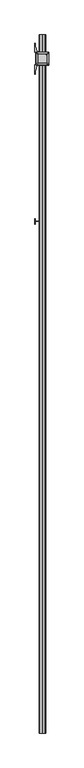
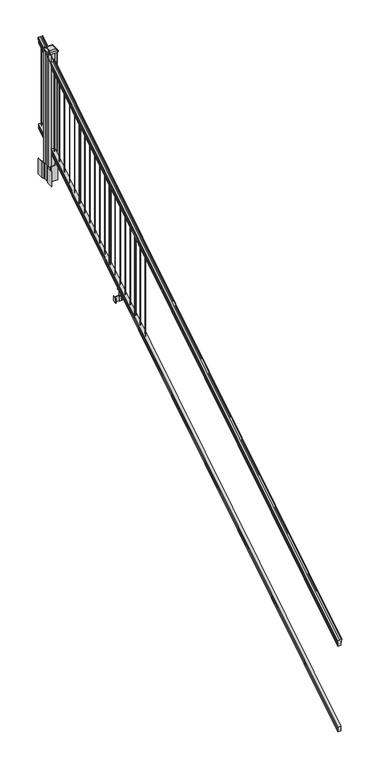
"""IFC4 building model written with IfcOpenShell, lengths in millimetres: railing geometry."""

from ifc_helpers import new_model, si_unit, point, frame, frame_2d, origin, place, context, project, spatial, polyline, circle_curve, ellipse_curve, trimmed, segment, composite_curve, outline, extrude, faceted_brep, source, transform, mapped, element, save
from ifc_brep_helpers import plane_surface, cylinder_surface, revolved_surface, extruded_surface, advanced_brep


def railing_1a0cb437(model_context):
    return source(origin(), model_context, "Body", "SolidModel", [
        advanced_brep(
        [(8349.0704765, -87458.4628453, 1133.2070492), (8349.0704765, -87458.4628453, 1135.4335658), (8350.2006628, -87458.4628453, 1137.2758543), (8350.2006628, -87458.4628453, 1145.7876358), (8349.5514064, -87458.4628453, 1148.6572588), (8352.0514064, -87458.4628453, 1153.7635509), (8353.4607489, -87458.4628453, 1155.7442021), (8353.8626479, -87458.4628453, 1157.0469579), (8353.8626478, -87458.4628453, 1158.6274846), (8352.3092005, -87458.4628453, 1160.4593836), (8331.6376478, -87458.4628453, 1160.4593836), (8310.966095, -87458.4628453, 1160.4593836), (8309.4126478, -87458.4628453, 1158.6274846), (8309.4126478, -87458.4628453, 1157.0469579), (8309.8145467, -87458.4628453, 1155.7442021), (8311.2238891, -87458.4628453, 1153.7635509), (8313.7238891, -87458.4628453, 1148.6572588), (8313.0746327, -87458.4628453, 1145.7876358), (8313.0746327, -87458.4628453, 1137.2758543), (8314.204819, -87458.4628453, 1135.4335658), (8314.204819, -87458.4628453, 1133.2070492), (8316.7786478, -87458.4628453, 1133.2070492), (8316.7786478, -87458.4628453, 1120.825537), (8315.7626478, -87458.4628453, 1119.6274214), (8315.7626478, -87458.4628453, 1104.9), (8347.5126478, -87458.4628453, 1104.9), (8347.5126478, -87458.4628453, 1119.441318), (8346.4966478, -87458.4628453, 1120.6394336), (8346.4966478, -87458.4628453, 1133.2070492), (8349.0704765, -82581.6628453, 4181.2070492), (8346.4966478, -82581.6628453, 4181.2070492), (8346.4966478, -82581.6628453, 4168.6394336), (8347.5126478, -82581.6628453, 4167.441318), (8347.5126478, -82581.6628453, 4152.9), (8315.7626478, -82581.6628453, 4152.9), (8315.7626478, -82581.6628453, 4167.6274214), (8316.7786478, -82581.6628453, 4168.825537), (8316.7786478, -82581.6628453, 4181.2070492), (8314.204819, -82581.6628453, 4181.2070492), (8314.204819, -82581.6628453, 4183.4335658), (8313.0746327, -82581.6628453, 4185.2758543), (8313.0746327, -82581.6628453, 4193.7876358), (8313.7238891, -82581.6628453, 4196.6572588), (8311.2238891, -82581.6628453, 4201.7635509), (8309.8145467, -82581.6628453, 4203.7442021), (8309.4126477, -82581.6628453, 4205.0469579), (8309.4126478, -82581.6628453, 4206.6274846), (8310.966095, -82581.6628453, 4208.4593836), (8331.6376478, -82581.6628453, 4208.4593836), (8352.3092005, -82581.6628453, 4208.4593836), (8353.8626478, -82581.6628453, 4206.6274846), (8353.8626478, -82581.6628453, 4205.0469579), (8353.4607489, -82581.6628453, 4203.7442021), (8352.0514064, -82581.6628453, 4201.7635509), (8349.5514064, -82581.6628453, 4196.6572588), (8350.2006628, -82581.6628453, 4193.7876358), (8350.2006628, -82581.6628453, 4185.2758543), (8349.0704765, -82581.6628453, 4183.4335658)],
        [
            (0, 1),
            (1, 2, ellipse_curve(frame((8342.7557232, -87458.4628453, 1142.2239405), z_axis=(0.0, -1.0, 0.0), x_axis=(0.0, 0.0, -1.0)), 10.0777926, 8.545951)),
            (2, 3, ellipse_curve(frame((8343.1927862, -87458.4628453, 1141.5317451), z_axis=(0.0, -1.0, 0.0), x_axis=(0.0, 0.0, -1.0)), 9.2955186, 7.882584)),
            (3, 4, ellipse_curve(frame((8353.7061103, -87458.4628453, 1148.4275077), z_axis=(0.0, 1.0, 0.0), x_axis=(0.0, 0.0, 1.0)), 4.9048088, 4.1592695)),
            (4, 5, ellipse_curve(frame((8354.9934169, -87458.4628453, 1148.3563208), z_axis=(0.0, 1.0, 0.0), x_axis=(0.0, 0.0, 1.0)), 6.4245301, 5.4479907)),
            (5, 6, ellipse_curve(frame((8353.7602584, -87458.4628453, 1153.7602333), z_axis=(0.0, 1.0, 0.0), x_axis=(0.0, 0.0, 1.0)), 2.0151625, 1.7088543)),
            (6, 7, ellipse_curve(frame((8352.1433583, -87458.4628453, 1157.0469579), z_axis=(0.0, -1.0, 0.0), x_axis=(0.0, 0.0, -1.0)), 2.0274681, 1.7192895)),
            (7, 8),
            (8, 9, ellipse_curve(frame((8352.3092005, -87458.4628453, 1158.6274846), z_axis=(0.0, -1.0, 0.0), x_axis=(0.0, 0.0, -1.0)), 1.831899, 1.5534472)),
            (9, 10),
            (10, 11),
            (11, 12, ellipse_curve(frame((8310.966095, -87458.4628453, 1158.6274846), z_axis=(0.0, -1.0, 0.0), x_axis=(0.0, 0.0, -1.0)), 1.831899, 1.5534472)),
            (12, 13),
            (13, 14, ellipse_curve(frame((8311.1319372, -87458.4628453, 1157.0469579), z_axis=(0.0, -1.0, 0.0), x_axis=(0.0, 0.0, -1.0)), 2.0274681, 1.7192895)),
            (14, 15, ellipse_curve(frame((8309.5150371, -87458.4628453, 1153.7602333), z_axis=(0.0, 1.0, 0.0), x_axis=(0.0, 0.0, 1.0)), 2.0151625, 1.7088543)),
            (15, 16, ellipse_curve(frame((8308.2818787, -87458.4628453, 1148.3563208), z_axis=(0.0, 1.0, 0.0), x_axis=(0.0, 0.0, 1.0)), 6.4245301, 5.4479907)),
            (16, 17, ellipse_curve(frame((8309.5691852, -87458.4628453, 1148.4275077), z_axis=(0.0, 1.0, 0.0), x_axis=(0.0, 0.0, 1.0)), 4.9048088, 4.1592695)),
            (17, 18, ellipse_curve(frame((8320.0825093, -87458.4628453, 1141.5317451), z_axis=(0.0, -1.0, 0.0), x_axis=(0.0, 0.0, -1.0)), 9.2955186, 7.882584)),
            (18, 19, ellipse_curve(frame((8320.5195723, -87458.4628453, 1142.2239405), z_axis=(0.0, -1.0, 0.0), x_axis=(0.0, 0.0, -1.0)), 10.0777926, 8.545951)),
            (19, 20),
            (20, 21, ellipse_curve(frame((8315.4917334, -87458.4628453, 1133.2070492), z_axis=(0.0, -1.0, 0.0), x_axis=(0.0, 0.0, -1.0)), 1.5175907, 1.2869144)),
            (21, 22),
            (22, 23),
            (23, 24),
            (24, 25),
            (25, 26),
            (26, 27),
            (27, 28),
            (28, 0, ellipse_curve(frame((8347.7835621, -87458.4628453, 1133.2070492), z_axis=(0.0, -1.0, 0.0), x_axis=(0.0, 0.0, -1.0)), 1.5175907, 1.2869144)),
            (29, 30, ellipse_curve(frame((8347.7835621, -82581.6628453, 4181.2070492), z_axis=(0.0, 1.0, 0.0), x_axis=(0.0, 0.0, -1.0)), 1.5175907, 1.2869144)),
            (30, 31),
            (31, 32),
            (32, 33),
            (33, 34),
            (34, 35),
            (35, 36),
            (36, 37),
            (37, 38, ellipse_curve(frame((8315.4917334, -82581.6628453, 4181.2070492), z_axis=(0.0, 1.0, 0.0), x_axis=(0.0, 0.0, -1.0)), 1.5175907, 1.2869144)),
            (38, 39),
            (39, 40, ellipse_curve(frame((8320.5195723, -82581.6628453, 4190.2239405), z_axis=(0.0, 1.0, 0.0), x_axis=(0.0, 0.0, -1.0)), 10.0777926, 8.545951)),
            (40, 41, ellipse_curve(frame((8320.0825093, -82581.6628453, 4189.5317451), z_axis=(0.0, 1.0, 0.0), x_axis=(0.0, 0.0, -1.0)), 9.2955186, 7.882584)),
            (41, 42, ellipse_curve(frame((8309.5691852, -82581.6628453, 4196.4275077), z_axis=(0.0, -1.0, 0.0), x_axis=(0.0, 0.0, 1.0)), 4.9048088, 4.1592695)),
            (42, 43, ellipse_curve(frame((8308.2818787, -82581.6628453, 4196.3563208), z_axis=(0.0, -1.0, 0.0), x_axis=(0.0, 0.0, 1.0)), 6.4245301, 5.4479907)),
            (43, 44, ellipse_curve(frame((8309.5150371, -82581.6628453, 4201.7602333), z_axis=(0.0, -1.0, 0.0), x_axis=(0.0, 0.0, 1.0)), 2.0151625, 1.7088543)),
            (44, 45, ellipse_curve(frame((8311.1319372, -82581.6628453, 4205.0469579), z_axis=(0.0, 1.0, 0.0), x_axis=(0.0, 0.0, -1.0)), 2.0274681, 1.7192895)),
            (45, 46),
            (46, 47, ellipse_curve(frame((8310.966095, -82581.6628453, 4206.6274846), z_axis=(0.0, 1.0, 0.0), x_axis=(0.0, 0.0, -1.0)), 1.831899, 1.5534472)),
            (47, 48),
            (48, 49),
            (49, 50, ellipse_curve(frame((8352.3092005, -82581.6628453, 4206.6274846), z_axis=(0.0, 1.0, 0.0), x_axis=(0.0, 0.0, -1.0)), 1.831899, 1.5534472)),
            (50, 51),
            (51, 52, ellipse_curve(frame((8352.1433583, -82581.6628453, 4205.0469579), z_axis=(0.0, 1.0, 0.0), x_axis=(0.0, 0.0, -1.0)), 2.0274681, 1.7192895)),
            (52, 53, ellipse_curve(frame((8353.7602584, -82581.6628453, 4201.7602333), z_axis=(0.0, -1.0, 0.0), x_axis=(0.0, 0.0, 1.0)), 2.0151625, 1.7088543)),
            (53, 54, ellipse_curve(frame((8354.9934169, -82581.6628453, 4196.3563208), z_axis=(0.0, -1.0, 0.0), x_axis=(0.0, 0.0, 1.0)), 6.4245301, 5.4479907)),
            (54, 55, ellipse_curve(frame((8353.7061103, -82581.6628453, 4196.4275077), z_axis=(0.0, -1.0, 0.0), x_axis=(0.0, 0.0, 1.0)), 4.9048088, 4.1592695)),
            (55, 56, ellipse_curve(frame((8343.1927862, -82581.6628453, 4189.5317451), z_axis=(0.0, 1.0, 0.0), x_axis=(0.0, 0.0, -1.0)), 9.2955186, 7.882584)),
            (56, 57, ellipse_curve(frame((8342.7557232, -82581.6628453, 4190.2239405), z_axis=(0.0, 1.0, 0.0), x_axis=(0.0, 0.0, -1.0)), 10.0777926, 8.545951)),
            (57, 29),
            (28, 30),
            (29, 0),
            (27, 31),
            (26, 32),
            (25, 33),
            (24, 34),
            (23, 35),
            (22, 36),
            (21, 37),
            (20, 38),
            (19, 39),
            (18, 40),
            (17, 41),
            (16, 42),
            (15, 43),
            (14, 44),
            (13, 45),
            (12, 46),
            (11, 47),
            (10, 48),
            (9, 49),
            (8, 50),
            (7, 51),
            (6, 52),
            (5, 53),
            (4, 54),
            (3, 55),
            (2, 56),
            (1, 57),
        ],
        [
            plane_surface(frame((8331.6376478, -87458.4628453, 1104.9), z_axis=(0.0, -1.0, 0.0), x_axis=(0.0, 0.0, 1.0))),
            plane_surface(frame((8331.6376478, -82581.6628453, 4152.9), z_axis=(0.0, 1.0, 0.0), x_axis=(0.0, 0.0, 1.0))),
            cylinder_surface(frame((8347.7835621, -87471.1851146, 1125.2556309), z_axis=(0.0, -0.8479983040051253, -0.5299989400031204), x_axis=(-1.0, 0.0, 0.0)), 1.2869144),
            plane_surface(frame((8346.4966478, -87458.4628453, 1120.6394336), z_axis=(1.0000000000000002, 0.0, 0.0), x_axis=(0.0, 0.8479983040051253, 0.5299989400031204))),
            plane_surface(frame((8347.5126478, -87458.4628453, 1119.441318), z_axis=(0.7071067811865389, -0.374765844497894, 0.5996253511967226), x_axis=(0.0, 0.8479983040051253, 0.5299989400031204))),
            plane_surface(frame((8347.5126478, -87458.4628453, 1104.9), z_axis=(1.0, 0.0, 0.0), x_axis=(0.0, 0.8479983040051252, 0.5299989400031204))),
            plane_surface(frame((8315.7626478, -87458.4628453, 1104.9), z_axis=(0.0, 0.5299989400031204, -0.8479983040051252), x_axis=(0.0, 0.8479983040051252, 0.5299989400031204))),
            plane_surface(frame((8315.7626478, -87458.4628453, 1119.6274214), z_axis=(-1.0, 0.0, 0.0), x_axis=(0.0, 0.8479983040051252, 0.5299989400031204))),
            plane_surface(frame((8316.7786478, -87458.4628453, 1120.825537), z_axis=(-0.7071067811865437, -0.37476584449788986, 0.5996253511967191), x_axis=(0.0, 0.8479983040051252, 0.5299989400031204))),
            plane_surface(frame((8316.7786478, -87458.4628453, 1133.2070492), z_axis=(-1.0, 0.0, 0.0), x_axis=(0.0, 0.8479983040051252, 0.5299989400031204))),
            cylinder_surface(frame((8315.4917334, -87471.1851146, 1125.2556309), z_axis=(0.0, -0.8479983040051253, -0.5299989400031204), x_axis=(1.0, 0.0, 0.0)), 1.2869144),
            plane_surface(frame((8314.204819, -87458.4628453, 1135.4335658), z_axis=(-1.0, 0.0, 0.0), x_axis=(0.0, 0.8479983040051252, 0.5299989400031204))),
            cylinder_surface(frame((8320.5195723, -87475.23765, 1131.7396876), z_axis=(0.0, -0.8479983040051253, -0.5299989400031204), x_axis=(1.0, 0.0, 0.0)), 8.545951),
            cylinder_surface(frame((8320.0825093, -87474.9265509, 1131.241929), z_axis=(0.0, -0.8479983040051253, -0.5299989400031204), x_axis=(1.0, 0.0, 0.0)), 7.882584),
            revolved_surface(polyline([(8313.7284547, -82579.45843685034, 4197.805262980552), (8313.7284547, -87460.66725374945, 1147.0497524190953)]), (8309.5691852, -87478.0257701, 1136.2006797), (0.0, 0.8479983040051253, 0.5299989400031204)),
            revolved_surface(polyline([(8313.7298694, -82578.77541603574, 4198.160964077185), (8313.7298694, -87461.35027455281, 1146.551677504493)]), (8308.2818787, -87477.993776, 1136.1494891), (0.0, 0.8479983040051253, 0.5299989400031204)),
            revolved_surface(polyline([(8311.2238914, -82580.75715429979, 4202.326290199658), (8311.2238914, -87459.36853632248, 1153.1941764359544)]), (8309.5150371, -87480.4225007, 1140.0354487), (0.0, 0.8479983040051253, 0.5299989400031204)),
            cylinder_surface(frame((8311.1319372, -87481.8996803, 1142.398936), z_axis=(0.0, -0.8479983040051253, -0.5299989400031204), x_axis=(1.0, 0.0, 0.0)), 1.7192895),
            plane_surface(frame((8309.4126478, -87458.4628453, 1158.6274846), z_axis=(-1.0, 0.0, 0.0), x_axis=(0.0, 0.8479983040051252, 0.5299989400031204))),
            cylinder_surface(frame((8310.966095, -87482.6100294, 1143.5354945), z_axis=(0.0, -0.8479983040051253, -0.5299989400031204), x_axis=(1.0, 0.0, 0.0)), 1.5534472),
            plane_surface(frame((8331.6376478, -87458.4628453, 1160.4593836), z_axis=(0.0, -0.5299989400031204, 0.8479983040051252), x_axis=(0.0, 0.8479983040051252, 0.5299989400031204))),
            plane_surface(frame((8352.3092005, -87458.4628453, 1160.4593836), z_axis=(0.0, -0.5299989400031204, 0.8479983040051252), x_axis=(0.0, 0.8479983040051252, 0.5299989400031204))),
            cylinder_surface(frame((8352.3092005, -87482.6100294, 1143.5354945), z_axis=(0.0, -0.8479983040051253, -0.5299989400031204), x_axis=(-1.0, 0.0, 0.0)), 1.5534472),
            plane_surface(frame((8353.8626478, -87458.4628453, 1157.0469579), z_axis=(1.0, 0.0, 0.0), x_axis=(0.0, 0.8479983040051252, 0.5299989400031204))),
            cylinder_surface(frame((8352.1433583, -87481.8996803, 1142.398936), z_axis=(0.0, -0.8479983040051253, -0.5299989400031204), x_axis=(-1.0, 0.0, 0.0)), 1.7192895),
            revolved_surface(polyline([(8352.051404099999, -82580.75715429979, 4202.326290199658), (8352.051404099999, -87459.36853632248, 1153.1941764359544)]), (8353.7602584, -87480.4225007, 1140.0354487), (0.0, 0.8479983040051253, 0.5299989400031204)),
            revolved_surface(polyline([(8349.5454262, -82578.77541603574, 4198.160964077185), (8349.5454262, -87461.35027455281, 1146.551677504493)]), (8354.9934169, -87477.993776, 1136.1494891), (0.0, 0.8479983040051253, 0.5299989400031204)),
            revolved_surface(polyline([(8349.5468408, -82579.45843685034, 4197.805262980552), (8349.5468408, -87460.66725374945, 1147.0497524190953)]), (8353.7061103, -87478.0257701, 1136.2006797), (0.0, 0.8479983040051253, 0.5299989400031204)),
            cylinder_surface(frame((8343.1927862, -87474.9265509, 1131.241929), z_axis=(0.0, -0.8479983040051253, -0.5299989400031204), x_axis=(-1.0, 0.0, 0.0)), 7.882584),
            cylinder_surface(frame((8342.7557232, -87475.23765, 1131.7396876), z_axis=(0.0, -0.8479983040051253, -0.5299989400031204), x_axis=(-1.0, 0.0, 0.0)), 8.545951),
            plane_surface(frame((8349.0704765, -87458.4628453, 1133.2070492), z_axis=(1.0, 0.0, 0.0), x_axis=(0.0, 0.8479983040051252, 0.5299989400031204))),
        ],
        [
            (0, [[1, 2, 3, 4, 5, 6, 7, 8, 9, 10, 11, 12, 13, 14, 15, 16, 17, 18, 19, 20, 21, 22, 23, 24, 25, 26, 27, 28, 29]]),
            (1, [[30, 31, 32, 33, 34, 35, 36, 37, 38, 39, 40, 41, 42, 43, 44, 45, 46, 47, 48, 49, 50, 51, 52, 53, 54, 55, 56, 57, 58]]),
            (2, [[-29, 59, -30, 60]]),
            (3, [[-28, 61, -31, -59]]),
            (4, [[-27, 62, -32, -61]]),
            (5, [[-26, 63, -33, -62]]),
            (6, [[-25, 64, -34, -63]]),
            (7, [[-24, 65, -35, -64]]),
            (8, [[-23, 66, -36, -65]]),
            (9, [[-22, 67, -37, -66]]),
            (10, [[-21, 68, -38, -67]]),
            (11, [[-20, 69, -39, -68]]),
            (12, [[-19, 70, -40, -69]]),
            (13, [[-18, 71, -41, -70]]),
            (14, [[-17, 72, -42, -71]]),
            (15, [[-16, 73, -43, -72]]),
            (16, [[-15, 74, -44, -73]]),
            (17, [[-14, 75, -45, -74]]),
            (18, [[-13, 76, -46, -75]]),
            (19, [[-12, 77, -47, -76]]),
            (20, [[-11, 78, -48, -77]]),
            (21, [[-10, 79, -49, -78]]),
            (22, [[-9, 80, -50, -79]]),
            (23, [[-8, 81, -51, -80]]),
            (24, [[-7, 82, -52, -81]]),
            (25, [[-6, 83, -53, -82]]),
            (26, [[-5, 84, -54, -83]]),
            (27, [[-4, 85, -55, -84]]),
            (28, [[-3, 86, -56, -85]]),
            (29, [[-2, 87, -57, -86]]),
            (30, [[-1, -60, -58, -87]]),
        ],
    ),
        faceted_brep([(8347.5501347, -87458.4628453, 268.8045079), (8346.5341347, -87458.4628453, 270.338026), (8346.5341347, -87458.4628453, 282.5545048), (8347.5501347, -87458.4628453, 284.1444579), (8347.5501347, -87458.4628453, 298.9244744), (8315.8001347, -87458.4628453, 298.9244744), (8315.8001347, -87458.4628453, 284.1248272), (8316.8161347, -87458.4628453, 282.5348741), (8316.8161347, -87458.4628453, 270.3748303), (8315.8001347, -87458.4628453, 268.7848772), (8315.8001347, -87458.4628453, 254.0), (8347.5501347, -87458.4628453, 254.0), (8347.5501347, -82581.6628453, 3316.8045079), (8347.5501347, -82581.6628453, 3302.0), (8315.8001347, -82581.6628453, 3302.0), (8315.8001347, -82581.6628453, 3316.7848772), (8316.8161347, -82581.6628453, 3318.3748303), (8316.8161347, -82581.6628453, 3330.5348741), (8315.8001347, -82581.6628453, 3332.1248272), (8315.8001347, -82581.6628453, 3346.9244744), (8347.5501347, -82581.6628453, 3346.9244744), (8347.5501347, -82581.6628453, 3332.1444579), (8346.5341347, -82581.6628453, 3330.5545048), (8346.5341347, -82581.6628453, 3318.338026)], [[[0, 1, 2, 3, 4, 5, 6, 7, 8, 9, 10, 11]], [[12, 13, 14, 15, 16, 17, 18, 19, 20, 21, 22, 23]], [[0, 11, 13, 12]], [[11, 10, 14, 13]], [[10, 9, 15, 14]], [[9, 8, 16, 15]], [[8, 7, 17, 16]], [[7, 6, 18, 17]], [[6, 5, 19, 18]], [[5, 4, 20, 19]], [[4, 3, 21, 20]], [[3, 2, 22, 21]], [[2, 1, 23, 22]], [[1, 0, 12, 23]]]),
        extrude(outline(composite_curve([segment(trimmed(circle_curve(frame_2d((8331.6376478, -82600.7128453)), 1.5875), [point((8333.2251478, -82600.7128453))], [point((8331.6376478, -82602.3003453))], False, "CARTESIAN"), True, "CONTINUOUS"), segment(trimmed(circle_curve(frame_2d((8331.6376478, -82600.7128453)), 1.5875), [point((8331.6376478, -82602.3003453))], [point((8330.0501478, -82600.7128453))], False, "CARTESIAN"), True, "CONTINUOUS"), segment(trimmed(circle_curve(frame_2d((8331.6376478, -82600.7128453)), 1.5875), [point((8330.0501478, -82600.7128453))], [point((8331.6376478, -82599.1253453))], False, "CARTESIAN"), True, "CONTINUOUS"), segment(trimmed(circle_curve(frame_2d((8331.6376478, -82600.7128453)), 1.5875), [point((8331.6376478, -82599.1253453))], [point((8333.2251478, -82600.7128453))], False, "CARTESIAN"), True, "CONTINUOUS")], self_intersect=False)), frame((0.0, 0.0, 3328.1896281), z_axis=(0.0, 0.0, 1.0), x_axis=(1.0, 0.0, 0.0)), (0.0, 0.0, 1.0), 812.8041219),
        extrude(outline(composite_curve([segment(trimmed(circle_curve(frame_2d((8331.6376478, -82683.2628453)), 1.5875), [point((8333.2251478, -82683.2628453))], [point((8331.6376478, -82684.8503453))], False, "CARTESIAN"), True, "CONTINUOUS"), segment(trimmed(circle_curve(frame_2d((8331.6376478, -82683.2628453)), 1.5875), [point((8331.6376478, -82684.8503453))], [point((8330.0501478, -82683.2628453))], False, "CARTESIAN"), True, "CONTINUOUS"), segment(trimmed(circle_curve(frame_2d((8331.6376478, -82683.2628453)), 1.5875), [point((8330.0501478, -82683.2628453))], [point((8331.6376478, -82681.6753453))], False, "CARTESIAN"), True, "CONTINUOUS"), segment(trimmed(circle_curve(frame_2d((8331.6376478, -82683.2628453)), 1.5875), [point((8331.6376478, -82681.6753453))], [point((8333.2251478, -82683.2628453))], False, "CARTESIAN"), True, "CONTINUOUS")], self_intersect=False)), frame((0.0, 0.0, 3276.5958781), z_axis=(0.0, 0.0, 1.0), x_axis=(1.0, 0.0, 0.0)), (0.0, 0.0, 1.0), 812.8041219),
        extrude(outline(composite_curve([segment(polyline([(8374.3731478, -82764.1489401), (8375.9606478, -82764.9109401), (8375.9606478, -82787.7128682), (8372.5876707, -82791.0858453), (8311.1279999, -82791.0858453), (8311.1279999, -82792.0065953), (8305.8104561, -82792.0065953), (8305.8104561, -82793.46085), (8300.7259264, -82793.46085), (8300.7259264, -82794.7448738), (8299.0586541, -82794.7448738)]), True, "CONTINUOUS"), segment(trimmed(circle_curve(frame_2d((8299.0586541, -82801.8043337)), 7.0594599), [point((8299.0586541, -82794.7448738))], [point((8292.2913912, -82799.794327))], True, "CARTESIAN"), True, "CONTINUOUS"), segment(polyline([(8292.2913912, -82799.794327), (8284.4171969, -82826.3050561)]), True, "CONTINUOUS"), segment(trimmed(circle_curve(frame_2d((8339.2017103, -82842.5771057)), 57.15), [point((8284.4171969, -82826.3050561))], [point((8282.0517103, -82842.5771057))], True, "CARTESIAN"), True, "CONTINUOUS"), segment(polyline([(8282.0517103, -82842.5771057), (8282.0517103, -82854.5858453), (8279.0517103, -82854.5858453), (8279.0517103, -82789.4983453), (8287.3146478, -82778.160054), (8287.3146478, -82764.9109401), (8288.9021478, -82764.1489401), (8288.9021478, -82729.3767504), (8287.3146478, -82728.6147504), (8287.3146478, -82715.3656366), (8279.0517103, -82704.0273453), (8279.0517103, -82638.9398453), (8282.0517103, -82638.9398453), (8282.0517103, -82650.9485848)]), True, "CONTINUOUS"), segment(trimmed(circle_curve(frame_2d((8339.2017103, -82650.9485848)), 57.15), [point((8282.0517103, -82650.9485848))], [point((8284.4171969, -82667.2206345))], True, "CARTESIAN"), True, "CONTINUOUS"), segment(polyline([(8284.4171969, -82667.2206345), (8292.2913912, -82693.7313636)]), True, "CONTINUOUS"), segment(trimmed(circle_curve(frame_2d((8299.0586541, -82691.7213569)), 7.0594599), [point((8292.2913912, -82693.7313636))], [point((8299.0586541, -82698.7808168))], True, "CARTESIAN"), True, "CONTINUOUS"), segment(polyline([(8299.0586541, -82698.7808168), (8300.7259264, -82698.7808168), (8300.7259264, -82700.0648406), (8305.8104561, -82700.0648406), (8305.8104561, -82701.5190953), (8311.1279999, -82701.5190953), (8311.1279999, -82702.4398453), (8372.5876707, -82702.4398453), (8375.9606478, -82705.8128224), (8375.9606478, -82728.6147504), (8374.3731478, -82729.3767504), (8374.3731478, -82764.1489401)]), True, "CONTINUOUS")], self_intersect=False), holes=[polyline([(8290.3626478, -82707.0753453), (8290.3626478, -82786.4503453), (8291.9501478, -82788.0378453), (8328.8744304, -82788.0378453), (8371.3251478, -82788.0378453), (8372.9126478, -82786.4503453), (8372.9126478, -82707.0753453), (8371.3251478, -82705.4878453), (8328.8744304, -82705.4878453), (8291.9501478, -82705.4878453), (8290.3626478, -82707.0753453)])]), frame((0.0, 0.0, 2895.6), z_axis=(0.0, 0.0, 1.0), x_axis=(1.0, 0.0, 0.0)), (0.0, 0.0, 1.0), 152.4),
        advanced_brep(
        [(8305.8407728, -82775.7347203, 4195.251763), (8357.4345228, -82775.7347203, 4195.251763), (8360.6095228, -82772.5597203, 4195.251763), (8360.6095228, -82720.9659703, 4195.251763), (8357.4345228, -82717.7909703, 4195.251763), (8305.8407728, -82717.7909703, 4195.251763), (8302.6657728, -82720.9659703, 4195.251763), (8302.6657728, -82772.5597203, 4195.251763), (8289.5688978, -82792.0065953, 4183.948763), (8286.3938978, -82788.8315953, 4183.948763), (8286.3938978, -82704.6940953, 4183.948763), (8289.5688978, -82701.5190953, 4183.948763), (8373.7063978, -82701.5190953, 4183.948763), (8376.8813978, -82704.6940953, 4183.948763), (8376.8813978, -82788.8315953, 4183.948763), (8373.7063978, -82792.0065953, 4183.948763)],
        [
            (0, 1),
            (1, 2, circle_curve(frame((8357.4345228, -82772.5597203, 4195.251763), z_axis=(0.0, 0.0, 1.0), x_axis=(0.0, 1.0, 0.0)), 3.175)),
            (2, 3),
            (3, 4, circle_curve(frame((8357.4345228, -82720.9659703, 4195.251763), z_axis=(0.0, 0.0, 1.0), x_axis=(0.0, 1.0, 0.0)), 3.175)),
            (4, 5),
            (5, 6, circle_curve(frame((8305.8407728, -82720.9659703, 4195.251763), z_axis=(0.0, 0.0, 1.0), x_axis=(0.0, 1.0, 0.0)), 3.175)),
            (6, 7),
            (7, 0, circle_curve(frame((8305.8407728, -82772.5597203, 4195.251763), z_axis=(0.0, 0.0, 1.0), x_axis=(0.0, 1.0, 0.0)), 3.175)),
            (8, 9, circle_curve(frame((8289.5688978, -82788.8315953, 4183.948763), z_axis=(0.0, 0.0, -1.0), x_axis=(0.0, 1.0, 0.0)), 3.175)),
            (9, 10),
            (10, 11, circle_curve(frame((8289.5688978, -82704.6940953, 4183.948763), z_axis=(0.0, 0.0, -1.0), x_axis=(0.0, 1.0, 0.0)), 3.175)),
            (11, 12),
            (12, 13, circle_curve(frame((8373.7063978, -82704.6940953, 4183.948763), z_axis=(0.0, 0.0, -1.0), x_axis=(0.0, 1.0, 0.0)), 3.175)),
            (13, 14),
            (14, 15, circle_curve(frame((8373.7063978, -82788.8315953, 4183.948763), z_axis=(0.0, 0.0, -1.0), x_axis=(0.0, 1.0, 0.0)), 3.175)),
            (15, 8),
            (8, 0),
            (7, 9),
            (6, 10),
            (5, 11),
            (4, 12),
            (3, 13),
            (2, 14),
            (1, 15),
        ],
        [
            plane_surface(frame((8331.6376478, -82746.7628453, 4195.251763), z_axis=(0.0, 0.0, 1.0), x_axis=(-1.0, 0.0, 0.0))),
            plane_surface(frame((8331.6376478, -82746.7628453, 4183.948763), z_axis=(0.0, 0.0, -1.0), x_axis=(-1.0, 0.0, 0.0))),
            extruded_surface(trimmed(circle_curve(frame((8305.8407728, -82772.5597203, 4195.251763), z_axis=(0.0, 0.0, -1.0), x_axis=(0.0, 1.0, 0.0)), 3.175), [point((8305.8407728, -82775.7347203, 4195.251763))], [point((8302.6657728, -82772.5597203, 4195.251763))], True, "CARTESIAN"), (-16.271875000000364, -16.27187499999127, -11.302999999999884), 25.637972638860802),
            plane_surface(frame((8286.3938978, -82746.7628453, 4183.948763), z_axis=(-0.5705009161540779, 0.0, 0.8212969649690408), x_axis=(0.0, 1.0, 0.0))),
            extruded_surface(trimmed(circle_curve(frame((8305.8407728, -82720.9659703, 4195.251763), z_axis=(0.0, 0.0, -1.0), x_axis=(0.0, 1.0, 0.0)), 3.175), [point((8302.6657728, -82720.9659703, 4195.251763))], [point((8305.8407728, -82717.7909703, 4195.251763))], True, "CARTESIAN"), (-16.271875000000364, 16.27187500000582, -11.302999999999884), 25.637972638870036),
            plane_surface(frame((8331.6376478, -82701.5190953, 4183.948763), z_axis=(0.0, 0.5705009161540291, 0.8212969649690747), x_axis=(1.0, 0.0, 0.0))),
            extruded_surface(trimmed(circle_curve(frame((8357.4345228, -82720.9659703, 4195.251763), z_axis=(0.0, 0.0, -1.0), x_axis=(0.0, 1.0, 0.0)), 3.175), [point((8357.4345228, -82717.7909703, 4195.251763))], [point((8360.6095228, -82720.9659703, 4195.251763))], True, "CARTESIAN"), (16.271875000000364, 16.27187500000582, -11.302999999999884), 25.637972638870036),
            plane_surface(frame((8376.8813978, -82746.7628453, 4183.948763), z_axis=(0.5705009161540141, 0.0, 0.8212969649690851), x_axis=(0.0, -1.0, 0.0))),
            extruded_surface(trimmed(circle_curve(frame((8357.4345228, -82772.5597203, 4195.251763), z_axis=(0.0, 0.0, -1.0), x_axis=(0.0, 1.0, 0.0)), 3.175), [point((8360.6095228, -82772.5597203, 4195.251763))], [point((8357.4345228, -82775.7347203, 4195.251763))], True, "CARTESIAN"), (16.271875000000364, -16.27187499999127, -11.302999999999884), 25.637972638860802),
            plane_surface(frame((8331.6376478, -82792.0065953, 4183.948763), z_axis=(0.0, -0.570500916154034, 0.8212969649690713), x_axis=(-1.0, 0.0, 0.0))),
        ],
        [
            (0, [[1, 2, 3, 4, 5, 6, 7, 8]]),
            (1, [[9, 10, 11, 12, 13, 14, 15, 16]]),
            (2, [[17, -8, 18, -9]]),
            (3, [[-18, -7, 19, -10]]),
            (4, [[-19, -6, 20, -11]]),
            (5, [[-20, -5, 21, -12]]),
            (6, [[-21, -4, 22, -13]]),
            (7, [[-22, -3, 23, -14]]),
            (8, [[-23, -2, 24, -15]]),
            (9, [[-24, -1, -17, -16]]),
        ],
    ),
        extrude(outline(composite_curve([segment(trimmed(circle_curve(frame_2d((8289.5688978, -82788.8315953)), 3.175), [point((8289.5688978, -82792.0065953))], [point((8286.3938978, -82788.8315953))], False, "CARTESIAN"), True, "CONTINUOUS"), segment(polyline([(8286.3938978, -82788.8315953), (8286.3938978, -82704.6940953)]), True, "CONTINUOUS"), segment(trimmed(circle_curve(frame_2d((8289.5688978, -82704.6940953)), 3.175), [point((8286.3938978, -82704.6940953))], [point((8289.5688978, -82701.5190953))], False, "CARTESIAN"), True, "CONTINUOUS"), segment(polyline([(8289.5688978, -82701.5190953), (8373.7063978, -82701.5190953)]), True, "CONTINUOUS"), segment(trimmed(circle_curve(frame_2d((8373.7063978, -82704.6940953)), 3.175), [point((8373.7063978, -82701.5190953))], [point((8376.8813978, -82704.6940953))], False, "CARTESIAN"), True, "CONTINUOUS"), segment(polyline([(8376.8813978, -82704.6940953), (8376.8813978, -82788.8315953)]), True, "CONTINUOUS"), segment(trimmed(circle_curve(frame_2d((8373.7063978, -82788.8315953)), 3.175), [point((8376.8813978, -82788.8315953))], [point((8373.7063978, -82792.0065953))], False, "CARTESIAN"), True, "CONTINUOUS"), segment(polyline([(8373.7063978, -82792.0065953), (8289.5688978, -82792.0065953)]), True, "CONTINUOUS")], self_intersect=False)), frame((0.0, 0.0, 4166.676763), z_axis=(0.0, 0.0, 1.0), x_axis=(1.0, 0.0, 0.0)), (0.0, 0.0, 1.0), 17.272),
        extrude(outline(polyline([(8291.9501478, -82788.0378453), (8290.3626478, -82786.4503453), (8290.3626478, -82766.8288453), (8291.9501478, -82766.0668453), (8291.9501478, -82727.4588453), (8290.3626478, -82726.6968453), (8290.3626478, -82707.0753453), (8291.9501478, -82705.4878453), (8311.5716478, -82705.4878453), (8312.3336478, -82707.0753453), (8350.9416478, -82707.0753453), (8351.7036478, -82705.4878453), (8371.3251478, -82705.4878453), (8372.9126478, -82707.0753453), (8372.9126478, -82726.6968453), (8371.3251478, -82727.4588453), (8371.3251478, -82766.0668453), (8372.9126478, -82766.8288453), (8372.9126478, -82786.4503453), (8371.3251478, -82788.0378453), (8351.7036478, -82788.0378453), (8350.9416478, -82786.4503453), (8312.3336478, -82786.4503453), (8311.5716478, -82788.0378453), (8291.9501478, -82788.0378453)])), frame((0.0, 0.0, 3048.0), z_axis=(0.0, 0.0, 1.0), x_axis=(1.0, 0.0, 0.0)), (0.0, 0.0, 1.0), 1118.676763),
        extrude(outline(composite_curve([segment(trimmed(circle_curve(frame_2d((8331.6376478, -82810.2628453)), 1.5875), [point((8333.2251478, -82810.2628453))], [point((8331.6376478, -82811.8503453))], False, "CARTESIAN"), True, "CONTINUOUS"), segment(trimmed(circle_curve(frame_2d((8331.6376478, -82810.2628453)), 1.5875), [point((8331.6376478, -82811.8503453))], [point((8330.0501478, -82810.2628453))], False, "CARTESIAN"), True, "CONTINUOUS"), segment(trimmed(circle_curve(frame_2d((8331.6376478, -82810.2628453)), 1.5875), [point((8330.0501478, -82810.2628453))], [point((8331.6376478, -82808.6753453))], False, "CARTESIAN"), True, "CONTINUOUS"), segment(trimmed(circle_curve(frame_2d((8331.6376478, -82810.2628453)), 1.5875), [point((8331.6376478, -82808.6753453))], [point((8333.2251478, -82810.2628453))], False, "CARTESIAN"), True, "CONTINUOUS")], self_intersect=False)), frame((0.0, 0.0, 3197.2208781), z_axis=(0.0, 0.0, 1.0), x_axis=(1.0, 0.0, 0.0)), (0.0, 0.0, 1.0), 812.8041219),
        extrude(outline(composite_curve([segment(trimmed(circle_curve(frame_2d((8331.6376478, -82892.8128453)), 1.5875), [point((8333.2251478, -82892.8128453))], [point((8331.6376478, -82894.4003453))], False, "CARTESIAN"), True, "CONTINUOUS"), segment(trimmed(circle_curve(frame_2d((8331.6376478, -82892.8128453)), 1.5875), [point((8331.6376478, -82894.4003453))], [point((8330.0501478, -82892.8128453))], False, "CARTESIAN"), True, "CONTINUOUS"), segment(trimmed(circle_curve(frame_2d((8331.6376478, -82892.8128453)), 1.5875), [point((8330.0501478, -82892.8128453))], [point((8331.6376478, -82891.2253453))], False, "CARTESIAN"), True, "CONTINUOUS"), segment(trimmed(circle_curve(frame_2d((8331.6376478, -82892.8128453)), 1.5875), [point((8331.6376478, -82891.2253453))], [point((8333.2251478, -82892.8128453))], False, "CARTESIAN"), True, "CONTINUOUS")], self_intersect=False)), frame((0.0, 0.0, 3145.6271281), z_axis=(0.0, 0.0, 1.0), x_axis=(1.0, 0.0, 0.0)), (0.0, 0.0, 1.0), 812.8041219),
        extrude(outline(composite_curve([segment(trimmed(circle_curve(frame_2d((8331.6376478, -82975.3628453)), 1.5875), [point((8333.2251478, -82975.3628453))], [point((8331.6376478, -82976.9503453))], False, "CARTESIAN"), True, "CONTINUOUS"), segment(trimmed(circle_curve(frame_2d((8331.6376478, -82975.3628453)), 1.5875), [point((8331.6376478, -82976.9503453))], [point((8330.0501478, -82975.3628453))], False, "CARTESIAN"), True, "CONTINUOUS"), segment(trimmed(circle_curve(frame_2d((8331.6376478, -82975.3628453)), 1.5875), [point((8330.0501478, -82975.3628453))], [point((8331.6376478, -82973.7753453))], False, "CARTESIAN"), True, "CONTINUOUS"), segment(trimmed(circle_curve(frame_2d((8331.6376478, -82975.3628453)), 1.5875), [point((8331.6376478, -82973.7753453))], [point((8333.2251478, -82975.3628453))], False, "CARTESIAN"), True, "CONTINUOUS")], self_intersect=False)), frame((0.0, 0.0, 3094.0333781), z_axis=(0.0, 0.0, 1.0), x_axis=(1.0, 0.0, 0.0)), (0.0, 0.0, 1.0), 812.8041219),
        extrude(outline(composite_curve([segment(trimmed(circle_curve(frame_2d((8331.6376478, -83057.9128453)), 1.5875), [point((8333.2251478, -83057.9128453))], [point((8331.6376478, -83059.5003453))], False, "CARTESIAN"), True, "CONTINUOUS"), segment(trimmed(circle_curve(frame_2d((8331.6376478, -83057.9128453)), 1.5875), [point((8331.6376478, -83059.5003453))], [point((8330.0501478, -83057.9128453))], False, "CARTESIAN"), True, "CONTINUOUS"), segment(trimmed(circle_curve(frame_2d((8331.6376478, -83057.9128453)), 1.5875), [point((8330.0501478, -83057.9128453))], [point((8331.6376478, -83056.3253453))], False, "CARTESIAN"), True, "CONTINUOUS"), segment(trimmed(circle_curve(frame_2d((8331.6376478, -83057.9128453)), 1.5875), [point((8331.6376478, -83056.3253453))], [point((8333.2251478, -83057.9128453))], False, "CARTESIAN"), True, "CONTINUOUS")], self_intersect=False)), frame((0.0, 0.0, 3042.4396281), z_axis=(0.0, 0.0, 1.0), x_axis=(1.0, 0.0, 0.0)), (0.0, 0.0, 1.0), 812.8041219),
        extrude(outline(composite_curve([segment(trimmed(circle_curve(frame_2d((8331.6376478, -83140.4628453)), 1.5875), [point((8333.2251478, -83140.4628453))], [point((8331.6376478, -83142.0503453))], False, "CARTESIAN"), True, "CONTINUOUS"), segment(trimmed(circle_curve(frame_2d((8331.6376478, -83140.4628453)), 1.5875), [point((8331.6376478, -83142.0503453))], [point((8330.0501478, -83140.4628453))], False, "CARTESIAN"), True, "CONTINUOUS"), segment(trimmed(circle_curve(frame_2d((8331.6376478, -83140.4628453)), 1.5875), [point((8330.0501478, -83140.4628453))], [point((8331.6376478, -83138.8753453))], False, "CARTESIAN"), True, "CONTINUOUS"), segment(trimmed(circle_curve(frame_2d((8331.6376478, -83140.4628453)), 1.5875), [point((8331.6376478, -83138.8753453))], [point((8333.2251478, -83140.4628453))], False, "CARTESIAN"), True, "CONTINUOUS")], self_intersect=False)), frame((0.0, 0.0, 2990.8458781), z_axis=(0.0, 0.0, 1.0), x_axis=(1.0, 0.0, 0.0)), (0.0, 0.0, 1.0), 812.8041219),
        extrude(outline(composite_curve([segment(trimmed(circle_curve(frame_2d((8331.6376478, -83223.0128453)), 6.35), [point((8337.9876478, -83223.0128453))], [point((8331.6376478, -83229.3628453))], False, "CARTESIAN"), True, "CONTINUOUS"), segment(trimmed(circle_curve(frame_2d((8331.6376478, -83223.0128453)), 6.35), [point((8331.6376478, -83229.3628453))], [point((8325.2876478, -83223.0128453))], False, "CARTESIAN"), True, "CONTINUOUS"), segment(trimmed(circle_curve(frame_2d((8331.6376478, -83223.0128453)), 6.35), [point((8325.2876478, -83223.0128453))], [point((8331.6376478, -83216.6628453))], False, "CARTESIAN"), True, "CONTINUOUS"), segment(trimmed(circle_curve(frame_2d((8331.6376478, -83223.0128453)), 6.35), [point((8331.6376478, -83216.6628453))], [point((8337.9876478, -83223.0128453))], False, "CARTESIAN"), True, "CONTINUOUS")], self_intersect=False)), frame((0.0, 0.0, 2939.2521281), z_axis=(0.0, 0.0, 1.0), x_axis=(1.0, 0.0, 0.0)), (0.0, 0.0, 1.0), 812.8041219),
        extrude(outline(composite_curve([segment(trimmed(circle_curve(frame_2d((8331.6376478, -83305.5628453)), 1.5875), [point((8333.2251478, -83305.5628453))], [point((8331.6376478, -83307.1503453))], False, "CARTESIAN"), True, "CONTINUOUS"), segment(trimmed(circle_curve(frame_2d((8331.6376478, -83305.5628453)), 1.5875), [point((8331.6376478, -83307.1503453))], [point((8330.0501478, -83305.5628453))], False, "CARTESIAN"), True, "CONTINUOUS"), segment(trimmed(circle_curve(frame_2d((8331.6376478, -83305.5628453)), 1.5875), [point((8330.0501478, -83305.5628453))], [point((8331.6376478, -83303.9753453))], False, "CARTESIAN"), True, "CONTINUOUS"), segment(trimmed(circle_curve(frame_2d((8331.6376478, -83305.5628453)), 1.5875), [point((8331.6376478, -83303.9753453))], [point((8333.2251478, -83305.5628453))], False, "CARTESIAN"), True, "CONTINUOUS")], self_intersect=False)), frame((0.0, 0.0, 2887.6583781), z_axis=(0.0, 0.0, 1.0), x_axis=(1.0, 0.0, 0.0)), (0.0, 0.0, 1.0), 812.8041219),
        extrude(outline(composite_curve([segment(trimmed(circle_curve(frame_2d((8331.6376478, -83388.1128453)), 1.5875), [point((8333.2251478, -83388.1128453))], [point((8331.6376478, -83389.7003453))], False, "CARTESIAN"), True, "CONTINUOUS"), segment(trimmed(circle_curve(frame_2d((8331.6376478, -83388.1128453)), 1.5875), [point((8331.6376478, -83389.7003453))], [point((8330.0501478, -83388.1128453))], False, "CARTESIAN"), True, "CONTINUOUS"), segment(trimmed(circle_curve(frame_2d((8331.6376478, -83388.1128453)), 1.5875), [point((8330.0501478, -83388.1128453))], [point((8331.6376478, -83386.5253453))], False, "CARTESIAN"), True, "CONTINUOUS"), segment(trimmed(circle_curve(frame_2d((8331.6376478, -83388.1128453)), 1.5875), [point((8331.6376478, -83386.5253453))], [point((8333.2251478, -83388.1128453))], False, "CARTESIAN"), True, "CONTINUOUS")], self_intersect=False)), frame((0.0, 0.0, 2836.0646281), z_axis=(0.0, 0.0, 1.0), x_axis=(1.0, 0.0, 0.0)), (0.0, 0.0, 1.0), 812.8041219),
        extrude(outline(composite_curve([segment(trimmed(circle_curve(frame_2d((8331.6376478, -83470.6628453)), 1.5875), [point((8333.2251478, -83470.6628453))], [point((8331.6376478, -83472.2503453))], False, "CARTESIAN"), True, "CONTINUOUS"), segment(trimmed(circle_curve(frame_2d((8331.6376478, -83470.6628453)), 1.5875), [point((8331.6376478, -83472.2503453))], [point((8330.0501478, -83470.6628453))], False, "CARTESIAN"), True, "CONTINUOUS"), segment(trimmed(circle_curve(frame_2d((8331.6376478, -83470.6628453)), 1.5875), [point((8330.0501478, -83470.6628453))], [point((8331.6376478, -83469.0753453))], False, "CARTESIAN"), True, "CONTINUOUS"), segment(trimmed(circle_curve(frame_2d((8331.6376478, -83470.6628453)), 1.5875), [point((8331.6376478, -83469.0753453))], [point((8333.2251478, -83470.6628453))], False, "CARTESIAN"), True, "CONTINUOUS")], self_intersect=False)), frame((0.0, 0.0, 2784.4708781), z_axis=(0.0, 0.0, 1.0), x_axis=(1.0, 0.0, 0.0)), (0.0, 0.0, 1.0), 812.8041219),
        extrude(outline(composite_curve([segment(trimmed(circle_curve(frame_2d((8331.6376478, -83553.2128453)), 1.5875), [point((8333.2251478, -83553.2128453))], [point((8331.6376478, -83554.8003453))], False, "CARTESIAN"), True, "CONTINUOUS"), segment(trimmed(circle_curve(frame_2d((8331.6376478, -83553.2128453)), 1.5875), [point((8331.6376478, -83554.8003453))], [point((8330.0501478, -83553.2128453))], False, "CARTESIAN"), True, "CONTINUOUS"), segment(trimmed(circle_curve(frame_2d((8331.6376478, -83553.2128453)), 1.5875), [point((8330.0501478, -83553.2128453))], [point((8331.6376478, -83551.6253453))], False, "CARTESIAN"), True, "CONTINUOUS"), segment(trimmed(circle_curve(frame_2d((8331.6376478, -83553.2128453)), 1.5875), [point((8331.6376478, -83551.6253453))], [point((8333.2251478, -83553.2128453))], False, "CARTESIAN"), True, "CONTINUOUS")], self_intersect=False)), frame((0.0, 0.0, 2732.8771281), z_axis=(0.0, 0.0, 1.0), x_axis=(1.0, 0.0, 0.0)), (0.0, 0.0, 1.0), 812.8041219),
        extrude(outline(composite_curve([segment(trimmed(circle_curve(frame_2d((8331.6376478, -83635.7628453)), 1.5875), [point((8333.2251478, -83635.7628453))], [point((8331.6376478, -83637.3503453))], False, "CARTESIAN"), True, "CONTINUOUS"), segment(trimmed(circle_curve(frame_2d((8331.6376478, -83635.7628453)), 1.5875), [point((8331.6376478, -83637.3503453))], [point((8330.0501478, -83635.7628453))], False, "CARTESIAN"), True, "CONTINUOUS"), segment(trimmed(circle_curve(frame_2d((8331.6376478, -83635.7628453)), 1.5875), [point((8330.0501478, -83635.7628453))], [point((8331.6376478, -83634.1753453))], False, "CARTESIAN"), True, "CONTINUOUS"), segment(trimmed(circle_curve(frame_2d((8331.6376478, -83635.7628453)), 1.5875), [point((8331.6376478, -83634.1753453))], [point((8333.2251478, -83635.7628453))], False, "CARTESIAN"), True, "CONTINUOUS")], self_intersect=False)), frame((0.0, 0.0, 2681.2833781), z_axis=(0.0, 0.0, 1.0), x_axis=(1.0, 0.0, 0.0)), (0.0, 0.0, 1.0), 812.8041219),
        extrude(outline(composite_curve([segment(trimmed(circle_curve(frame_2d((8331.6376478, -83718.3128453)), 6.35), [point((8337.9876478, -83718.3128453))], [point((8331.6376478, -83724.6628453))], False, "CARTESIAN"), True, "CONTINUOUS"), segment(trimmed(circle_curve(frame_2d((8331.6376478, -83718.3128453)), 6.35), [point((8331.6376478, -83724.6628453))], [point((8325.2876478, -83718.3128453))], False, "CARTESIAN"), True, "CONTINUOUS"), segment(trimmed(circle_curve(frame_2d((8331.6376478, -83718.3128453)), 6.35), [point((8325.2876478, -83718.3128453))], [point((8331.6376478, -83711.9628453))], False, "CARTESIAN"), True, "CONTINUOUS"), segment(trimmed(circle_curve(frame_2d((8331.6376478, -83718.3128453)), 6.35), [point((8331.6376478, -83711.9628453))], [point((8337.9876478, -83718.3128453))], False, "CARTESIAN"), True, "CONTINUOUS")], self_intersect=False)), frame((0.0, 0.0, 2629.6896281), z_axis=(0.0, 0.0, 1.0), x_axis=(1.0, 0.0, 0.0)), (0.0, 0.0, 1.0), 812.8041219),
        extrude(outline(composite_curve([segment(trimmed(circle_curve(frame_2d((8331.6376478, -83800.8628453)), 1.5875), [point((8333.2251478, -83800.8628453))], [point((8331.6376478, -83802.4503453))], False, "CARTESIAN"), True, "CONTINUOUS"), segment(trimmed(circle_curve(frame_2d((8331.6376478, -83800.8628453)), 1.5875), [point((8331.6376478, -83802.4503453))], [point((8330.0501478, -83800.8628453))], False, "CARTESIAN"), True, "CONTINUOUS"), segment(trimmed(circle_curve(frame_2d((8331.6376478, -83800.8628453)), 1.5875), [point((8330.0501478, -83800.8628453))], [point((8331.6376478, -83799.2753453))], False, "CARTESIAN"), True, "CONTINUOUS"), segment(trimmed(circle_curve(frame_2d((8331.6376478, -83800.8628453)), 1.5875), [point((8331.6376478, -83799.2753453))], [point((8333.2251478, -83800.8628453))], False, "CARTESIAN"), True, "CONTINUOUS")], self_intersect=False)), frame((0.0, 0.0, 2578.0958781), z_axis=(0.0, 0.0, 1.0), x_axis=(1.0, 0.0, 0.0)), (0.0, 0.0, 1.0), 812.8041219),
        extrude(outline(polyline([(8320.969648, -83884.6828453), (8281.5996478, -83884.6828453), (8281.5996478, -83882.1428453), (8320.969648, -83882.1428453), (8320.969648, -83884.6828453)])), frame((0.0, 0.0, 2374.10625), z_axis=(0.0, 0.0, 1.0), x_axis=(1.0, 0.0, 0.0)), (0.0, 0.0, 1.0), 50.8),
        extrude(outline(polyline([(8281.5996478, -83902.4628453), (8279.0596478, -83902.4628453), (8279.0596478, -83864.3628453), (8281.5996478, -83864.3628453), (8281.5996478, -83902.4628453)])), frame((0.0, 0.0, 2374.10625), z_axis=(0.0, 0.0, 1.0), x_axis=(1.0, 0.0, 0.0)), (0.0, 0.0, 1.0), 50.8),
        extrude(outline(polyline([(8342.3056485, -83893.3188453), (8320.969648, -83893.3188453), (8320.969648, -83873.5068453), (8342.3056485, -83873.5068453), (8342.3056485, -83893.3188453)]), holes=[polyline([(8339.0036484, -83890.7788453), (8339.0036484, -83876.0468453), (8324.2716481, -83876.0468453), (8324.2716481, -83890.7788453), (8339.0036484, -83890.7788453)])]), frame((0.0, 0.0, 2374.10625), z_axis=(0.0, 0.0, 1.0), x_axis=(1.0, 0.0, 0.0)), (0.0, 0.0, 1.0), 50.8),
        extrude(outline(polyline([(2513.6266479, 8313.4766489), (2512.8646469, 8312.7146479), (2486.3742523, 8312.7146479), (2485.6122513, 8313.4766489), (2485.6122513, 8323.509648), (2484.8502512, 8324.2716481), (2421.3502512, 8324.2716481), (2421.3502512, 8339.0036484), (2484.8502512, 8339.0036484), (2485.6122513, 8339.7656485), (2485.6122513, 8349.7986475), (2486.3742523, 8350.5606486), (2512.8646469, 8350.5606486), (2513.6266479, 8349.7986475), (2513.6266479, 8347.766648), (2512.6106453, 8346.7506482), (2502.1748581, 8346.7506482), (2501.1588573, 8347.766648), (2489.168251, 8347.766648), (2488.4062519, 8347.0046488), (2488.4062519, 8316.2706477), (2489.168251, 8315.5086485), (2501.1588573, 8315.5086485), (2502.1748581, 8316.5246483), (2512.6106453, 8316.5246483), (2513.6266479, 8315.5086485), (2513.6266479, 8313.4766489)]), holes=[polyline([(2485.6122513, 8335.0666481), (2484.8502512, 8335.8286482), (2428.8432531, 8335.8286482), (2428.0812531, 8335.0666481), (2428.0812531, 8328.2086455), (2428.8432503, 8327.4466483), (2484.8502512, 8327.4466483), (2485.6122513, 8328.2086483), (2485.6122513, 8335.0666481)])]), frame((0.0, -83890.7788453, 0.0), z_axis=(0.0, 1.0, 0.0), x_axis=(0.0, 0.0, 1.0)), (0.0, 0.0, 1.0), 14.732),
        extrude(outline(composite_curve([segment(trimmed(circle_curve(frame_2d((8331.6376478, -83883.4128453)), 1.5875), [point((8333.2251478, -83883.4128453))], [point((8331.6376478, -83885.0003453))], False, "CARTESIAN"), True, "CONTINUOUS"), segment(trimmed(circle_curve(frame_2d((8331.6376478, -83883.4128453)), 1.5875), [point((8331.6376478, -83885.0003453))], [point((8330.0501478, -83883.4128453))], False, "CARTESIAN"), True, "CONTINUOUS"), segment(trimmed(circle_curve(frame_2d((8331.6376478, -83883.4128453)), 1.5875), [point((8330.0501478, -83883.4128453))], [point((8331.6376478, -83881.8253453))], False, "CARTESIAN"), True, "CONTINUOUS"), segment(trimmed(circle_curve(frame_2d((8331.6376478, -83883.4128453)), 1.5875), [point((8331.6376478, -83881.8253453))], [point((8333.2251478, -83883.4128453))], False, "CARTESIAN"), True, "CONTINUOUS")], self_intersect=False)), frame((0.0, 0.0, 2526.5021281), z_axis=(0.0, 0.0, 1.0), x_axis=(1.0, 0.0, 0.0)), (0.0, 0.0, 1.0), 812.8041219),
        extrude(outline(composite_curve([segment(trimmed(circle_curve(frame_2d((8331.6376478, -83965.9628453)), 1.5875), [point((8333.2251478, -83965.9628453))], [point((8331.6376478, -83967.5503453))], False, "CARTESIAN"), True, "CONTINUOUS"), segment(trimmed(circle_curve(frame_2d((8331.6376478, -83965.9628453)), 1.5875), [point((8331.6376478, -83967.5503453))], [point((8330.0501478, -83965.9628453))], False, "CARTESIAN"), True, "CONTINUOUS"), segment(trimmed(circle_curve(frame_2d((8331.6376478, -83965.9628453)), 1.5875), [point((8330.0501478, -83965.9628453))], [point((8331.6376478, -83964.3753453))], False, "CARTESIAN"), True, "CONTINUOUS"), segment(trimmed(circle_curve(frame_2d((8331.6376478, -83965.9628453)), 1.5875), [point((8331.6376478, -83964.3753453))], [point((8333.2251478, -83965.9628453))], False, "CARTESIAN"), True, "CONTINUOUS")], self_intersect=False)), frame((0.0, 0.0, 2474.9083781), z_axis=(0.0, 0.0, 1.0), x_axis=(1.0, 0.0, 0.0)), (0.0, 0.0, 1.0), 812.8041219),
        extrude(outline(composite_curve([segment(trimmed(circle_curve(frame_2d((8331.6376478, -84048.5128453)), 1.5875), [point((8333.2251478, -84048.5128453))], [point((8331.6376478, -84050.1003453))], False, "CARTESIAN"), True, "CONTINUOUS"), segment(trimmed(circle_curve(frame_2d((8331.6376478, -84048.5128453)), 1.5875), [point((8331.6376478, -84050.1003453))], [point((8330.0501478, -84048.5128453))], False, "CARTESIAN"), True, "CONTINUOUS"), segment(trimmed(circle_curve(frame_2d((8331.6376478, -84048.5128453)), 1.5875), [point((8330.0501478, -84048.5128453))], [point((8331.6376478, -84046.9253453))], False, "CARTESIAN"), True, "CONTINUOUS"), segment(trimmed(circle_curve(frame_2d((8331.6376478, -84048.5128453)), 1.5875), [point((8331.6376478, -84046.9253453))], [point((8333.2251478, -84048.5128453))], False, "CARTESIAN"), True, "CONTINUOUS")], self_intersect=False)), frame((0.0, 0.0, 2423.3146281), z_axis=(0.0, 0.0, 1.0), x_axis=(1.0, 0.0, 0.0)), (0.0, 0.0, 1.0), 812.8041219),
        extrude(outline(composite_curve([segment(trimmed(circle_curve(frame_2d((8331.6376478, -84131.0628453)), 6.35), [point((8337.9876478, -84131.0628453))], [point((8331.6376478, -84137.4128453))], False, "CARTESIAN"), True, "CONTINUOUS"), segment(trimmed(circle_curve(frame_2d((8331.6376478, -84131.0628453)), 6.35), [point((8331.6376478, -84137.4128453))], [point((8325.2876478, -84131.0628453))], False, "CARTESIAN"), True, "CONTINUOUS"), segment(trimmed(circle_curve(frame_2d((8331.6376478, -84131.0628453)), 6.35), [point((8325.2876478, -84131.0628453))], [point((8331.6376478, -84124.7128453))], False, "CARTESIAN"), True, "CONTINUOUS"), segment(trimmed(circle_curve(frame_2d((8331.6376478, -84131.0628453)), 6.35), [point((8331.6376478, -84124.7128453))], [point((8337.9876478, -84131.0628453))], False, "CARTESIAN"), True, "CONTINUOUS")], self_intersect=False)), frame((0.0, 0.0, 2371.7208781), z_axis=(0.0, 0.0, 1.0), x_axis=(1.0, 0.0, 0.0)), (0.0, 0.0, 1.0), 812.8041219),
        extrude(outline(composite_curve([segment(trimmed(circle_curve(frame_2d((8331.6376478, -84213.6128453)), 1.5875), [point((8333.2251478, -84213.6128453))], [point((8331.6376478, -84215.2003453))], False, "CARTESIAN"), True, "CONTINUOUS"), segment(trimmed(circle_curve(frame_2d((8331.6376478, -84213.6128453)), 1.5875), [point((8331.6376478, -84215.2003453))], [point((8330.0501478, -84213.6128453))], False, "CARTESIAN"), True, "CONTINUOUS"), segment(trimmed(circle_curve(frame_2d((8331.6376478, -84213.6128453)), 1.5875), [point((8330.0501478, -84213.6128453))], [point((8331.6376478, -84212.0253453))], False, "CARTESIAN"), True, "CONTINUOUS"), segment(trimmed(circle_curve(frame_2d((8331.6376478, -84213.6128453)), 1.5875), [point((8331.6376478, -84212.0253453))], [point((8333.2251478, -84213.6128453))], False, "CARTESIAN"), True, "CONTINUOUS")], self_intersect=False)), frame((0.0, 0.0, 2320.1271281), z_axis=(0.0, 0.0, 1.0), x_axis=(1.0, 0.0, 0.0)), (0.0, 0.0, 1.0), 812.8041219),
        extrude(outline(composite_curve([segment(trimmed(circle_curve(frame_2d((8331.6376478, -84296.1628453)), 1.5875), [point((8333.2251478, -84296.1628453))], [point((8331.6376478, -84297.7503453))], False, "CARTESIAN"), True, "CONTINUOUS"), segment(trimmed(circle_curve(frame_2d((8331.6376478, -84296.1628453)), 1.5875), [point((8331.6376478, -84297.7503453))], [point((8330.0501478, -84296.1628453))], False, "CARTESIAN"), True, "CONTINUOUS"), segment(trimmed(circle_curve(frame_2d((8331.6376478, -84296.1628453)), 1.5875), [point((8330.0501478, -84296.1628453))], [point((8331.6376478, -84294.5753453))], False, "CARTESIAN"), True, "CONTINUOUS"), segment(trimmed(circle_curve(frame_2d((8331.6376478, -84296.1628453)), 1.5875), [point((8331.6376478, -84294.5753453))], [point((8333.2251478, -84296.1628453))], False, "CARTESIAN"), True, "CONTINUOUS")], self_intersect=False)), frame((0.0, 0.0, 2268.5333781), z_axis=(0.0, 0.0, 1.0), x_axis=(1.0, 0.0, 0.0)), (0.0, 0.0, 1.0), 812.8041219),
    ])


if __name__ == "__main__":
    model = new_model("IFC4")
    model_context = context("Model", 3, world=origin())
    ifc_project = project(units=[si_unit("LENGTHUNIT", "METRE", prefix="MILLI")], contexts=[model_context])
    site = spatial("IfcSite", under=ifc_project)
    building = spatial("IfcBuilding", under=site)
    placement = place(None, origin())
    railing_shape = railing_1a0cb437(model_context)
    element("IfcRailing", 1, at=placement, inside=building, context=model_context, shape_type="MappedRepresentation", body=[
        mapped(railing_shape, transform((0.0, 0.0, 0.0), x_axis=(1.0, 0.0, 0.0), y_axis=(0.0, 1.0, 0.0), z_axis=(0.0, 0.0, 1.0))),
    ])
    save(model, "model.ifc")
